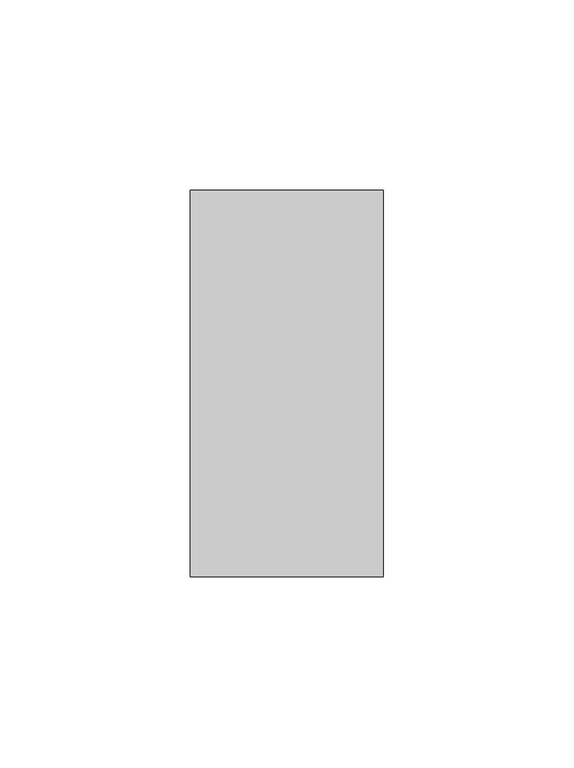
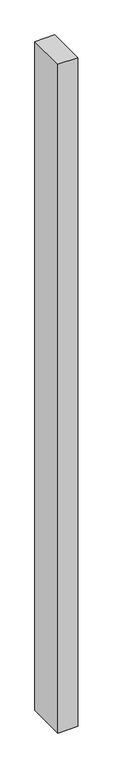
"""IFC4 building model written with IfcOpenShell, lengths in millimetres: proxy geometry."""

from ifc_helpers import new_model, si_unit, origin, origin_with_axes, place, context, project, spatial, polyline, outline, extrude, source, transform, mapped, element, save


def generic_models_0528488f(model_context):
    return source(origin(), model_context, "Body", "SweptSolid", [
        extrude(outline(polyline([(50.8, 0.0), (0.0, 0.0), (0.0, 101.6), (50.8, 101.6), (50.8, 0.0)])), origin_with_axes(), (0.0, 0.0, 1.0), 1800.0),
    ])


if __name__ == "__main__":
    model = new_model("IFC4")
    model_context = context("Model", 3, world=origin())
    ifc_project = project(units=[si_unit("LENGTHUNIT", "METRE", prefix="MILLI")], contexts=[model_context])
    site = spatial("IfcSite", under=ifc_project)
    building = spatial("IfcBuilding", under=site)
    placement = place(None, origin())
    generic_models_shape = generic_models_0528488f(model_context)
    element("IfcBuildingElementProxy", 1, Name="Generic Models", at=placement, inside=building, context=model_context, shape_type="MappedRepresentation", body=[
        mapped(generic_models_shape, transform((0.0, 0.0, 0.0), x_axis=(1.0, 0.0, 0.0), y_axis=(0.0, 1.0, 0.0), z_axis=(0.0, 0.0, 1.0))),
    ])
    save(model, "model.ifc")
